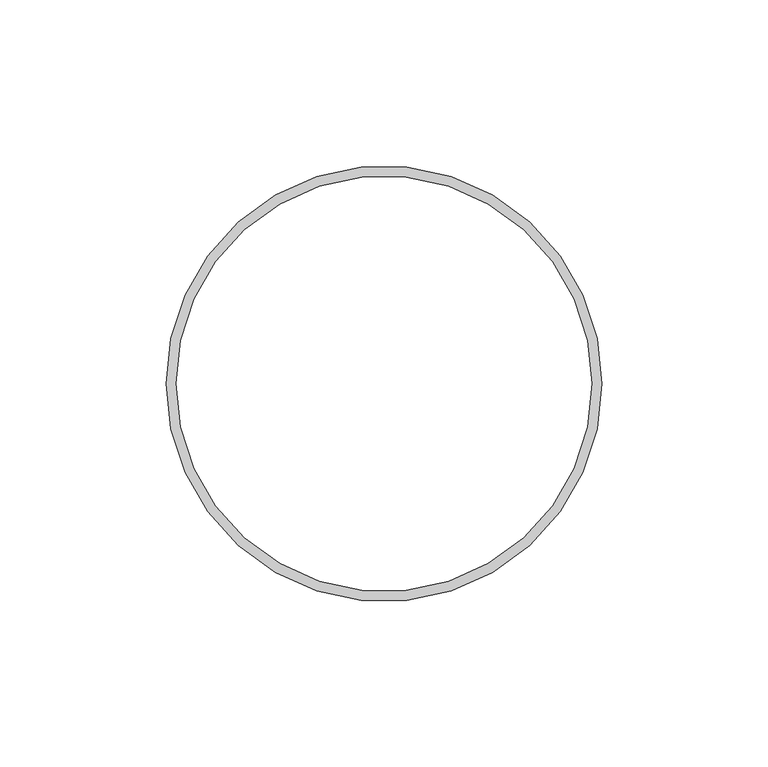
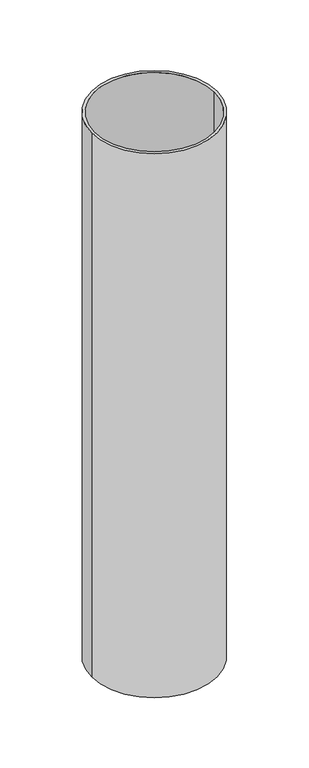
"""IFC4 building model written with IfcOpenShell, lengths in millimetres: beam geometry."""

from ifc_helpers import new_model, si_unit, point, frame, origin, origin_2d, place, context, project, spatial, circle_curve, trimmed, segment, composite_curve, outline, extrude, source, transform, mapped, element, save


def beam_204ab8cb(model_context):
    return source(origin(), model_context, "Body", "SweptSolid", [
        extrude(outline(composite_curve([segment(trimmed(circle_curve(origin_2d(), 65.5), [point((65.5, 0.0))], [point((-65.5, 0.0))], False, "CARTESIAN"), True, "CONTINUOUS"), segment(trimmed(circle_curve(origin_2d(), 65.5), [point((-65.5, 0.0))], [point((65.5, 0.0))], False, "CARTESIAN"), True, "CONTINUOUS")], self_intersect=False), holes=[composite_curve([segment(trimmed(circle_curve(origin_2d(), 62.5), [point((62.5, 0.0))], [point((-62.5, 0.0))], True, "CARTESIAN"), True, "CONTINUOUS"), segment(trimmed(circle_curve(origin_2d(), 62.5), [point((-62.5, 0.0))], [point((62.5, 0.0))], True, "CARTESIAN"), True, "CONTINUOUS")], self_intersect=False)]), frame((0.0, 0.0, -600.0), z_axis=(0.0, 0.0, 1.0), x_axis=(1.0, 0.0, 0.0)), (0.0, 0.0, 1.0), 600.0),
    ])


if __name__ == "__main__":
    model = new_model("IFC4")
    model_context = context("Model", 3, world=origin())
    ifc_project = project(units=[si_unit("LENGTHUNIT", "METRE", prefix="MILLI")], contexts=[model_context])
    site = spatial("IfcSite", under=ifc_project)
    building = spatial("IfcBuilding", under=site)
    placement = place(None, origin())
    beam_shape = beam_204ab8cb(model_context)
    element("IfcBeam", 1, at=placement, inside=building, context=model_context, shape_type="MappedRepresentation", body=[
        mapped(beam_shape, transform((0.0, 0.0, 0.0), x_axis=(1.0, 0.0, 0.0), y_axis=(0.0, 1.0, 0.0), z_axis=(0.0, 0.0, 1.0))),
    ])
    save(model, "model.ifc")
